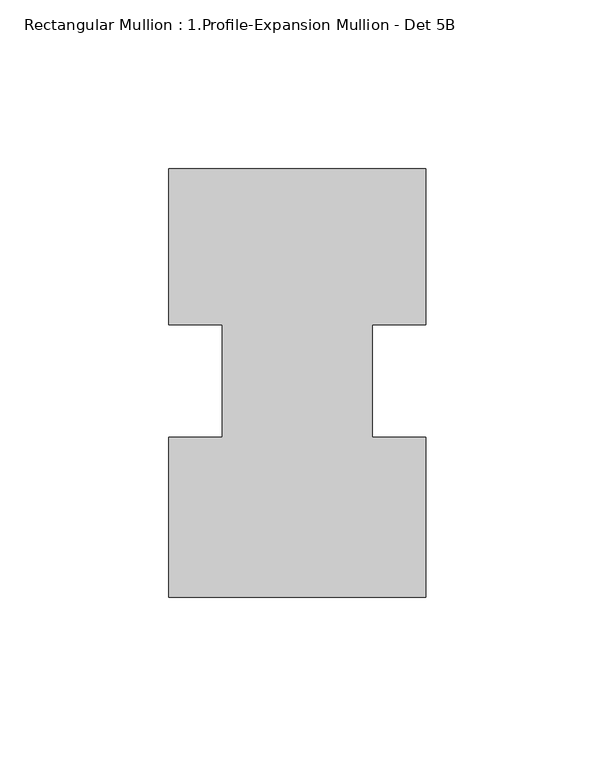
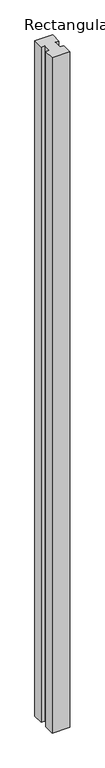
"""IFC4 building model written with IfcOpenShell, lengths in millimetres: member geometry, Rectangular Mullion : 1.Profile-Expansion Mullion - Det 5B."""

from ifc_helpers import new_model, si_unit, frame, origin, place, context, project, spatial, polyline, outline, extrude, source, transform, mapped, element, save


def rectangular_mullion_1_profile_expansion_mullion_det_5b_7a0b6026(model_context):
    return source(origin(), model_context, "Body", "SweptSolid", [
        extrude(outline(polyline([(0.0, 63.5), (0.0, 17.31709), (-15.875, 17.31709), (-15.875, -16.0459314), (0.0, -16.0459314), (0.0, -63.5), (-76.1873, -63.5), (-76.1873, -16.0459314), (-60.2996, -16.0459314), (-60.2996, 17.31709), (-76.1746, 17.31709), (-76.1746, 63.5), (0.0, 63.5)])), frame((0.0, 0.0, -3048.0), z_axis=(0.0, 0.0, 1.0), x_axis=(1.0, 0.0, 0.0)), (0.0, 0.0, 1.0), 3048.0),
    ])


if __name__ == "__main__":
    model = new_model("IFC4")
    model_context = context("Model", 3, world=origin())
    ifc_project = project(units=[si_unit("LENGTHUNIT", "METRE", prefix="MILLI")], contexts=[model_context])
    site = spatial("IfcSite", under=ifc_project)
    building = spatial("IfcBuilding", under=site)
    placement = place(None, origin())
    rectangular_mullion_1_profile_expansion_mullion_det_5b_shape = rectangular_mullion_1_profile_expansion_mullion_det_5b_7a0b6026(model_context)
    element("IfcMember", 1, ObjectType="Rectangular Mullion : 1.Profile-Expansion Mullion - Det 5B", at=placement, inside=building, context=model_context, shape_type="MappedRepresentation", body=[
        mapped(rectangular_mullion_1_profile_expansion_mullion_det_5b_shape, transform((0.0, 0.0, 0.0), x_axis=(1.0, 0.0, 0.0), y_axis=(0.0, 1.0, 0.0), z_axis=(0.0, 0.0, 1.0))),
    ])
    save(model, "model.ifc")
